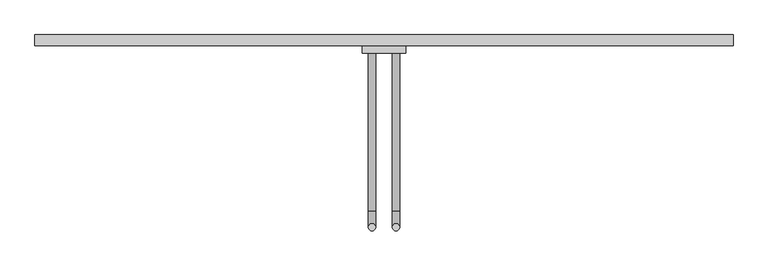
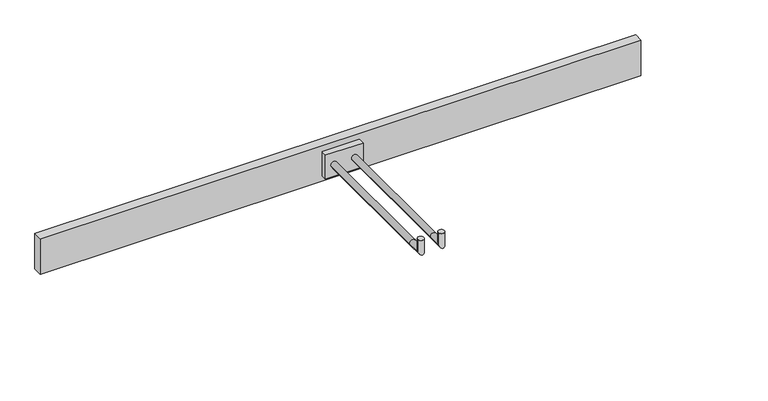
"""IFC4 building model written with IfcOpenShell, lengths in millimetres: proxy geometry."""

from ifc_helpers import new_model, si_unit, frame, origin, place, context, project, spatial, polyline, circle_curve, ellipse_curve, outline, extrude, source, transform, mapped, element, save
from ifc_brep_helpers import plane_surface, cylinder_surface, advanced_brep


def specialty_equipment_ad2d4378(model_context):
    return source(origin(), model_context, "Body", "SolidModel", [
        advanced_brep(
        [(27.2956261, -31.75, 1219.2), (14.5956261, -31.75, 1219.2), (14.5956261, -307.975, 1219.2), (27.2956261, -307.975, 1219.2), (14.5956261, -336.55, 1219.2), (27.2956261, -336.55, 1219.2), (27.2956261, -336.55, 1244.6), (14.5956261, -336.55, 1244.6)],
        [
            (0, 1, circle_curve(frame((20.9456261, -31.75, 1219.2), z_axis=(0.0, 1.0, 0.0), x_axis=(-1.0, 0.0, 0.0)), 6.35)),
            (1, 0, circle_curve(frame((20.9456261, -31.75, 1219.2), z_axis=(0.0, 1.0, 0.0), x_axis=(-1.0, 0.0, 0.0)), 6.35)),
            (1, 2),
            (2, 3, circle_curve(frame((20.9456261, -307.975, 1219.2), z_axis=(0.0, 1.0, 0.0), x_axis=(-1.0, 0.0, 0.0)), 6.35)),
            (3, 0),
            (3, 2, circle_curve(frame((20.9456261, -307.975, 1219.2), z_axis=(0.0, 1.0, 0.0), x_axis=(-1.0, 0.0, 0.0)), 6.35)),
            (2, 4),
            (4, 5, ellipse_curve(frame((20.9456261, -336.55, 1219.2), z_axis=(0.0, 0.7071067811865429, -0.7071067811865522), x_axis=(0.0, 0.7071067811865521, 0.7071067811865429)), 8.9802561, 6.35)),
            (5, 3),
            (5, 4, ellipse_curve(frame((20.9456261, -336.55, 1219.2), z_axis=(0.0, 0.7071067811865429, -0.7071067811865522), x_axis=(0.0, 0.7071067811865521, 0.7071067811865429)), 8.9802561, 6.35)),
            (6, 7, circle_curve(frame((20.9456261, -336.55, 1244.6), z_axis=(0.0, 0.0, 1.0), x_axis=(-1.0, 0.0, 0.0)), 6.35)),
            (7, 6, circle_curve(frame((20.9456261, -336.55, 1244.6), z_axis=(0.0, 0.0, 1.0), x_axis=(-1.0, 0.0, 0.0)), 6.35)),
            (4, 7),
            (6, 5),
        ],
        [
            plane_surface(frame((20.9456261, -31.75, 1219.2), z_axis=(0.0, 1.0, 0.0), x_axis=(-1.0, 0.0, 0.0))),
            cylinder_surface(frame((20.9456261, -31.75, 1219.2), z_axis=(0.0, 1.0, 0.0), x_axis=(-1.0, 0.0, 0.0)), 6.35),
            cylinder_surface(frame((20.9456261, -307.975, 1219.2), z_axis=(0.0, 1.0, 0.0), x_axis=(-1.0, 0.0, 0.0)), 6.35),
            plane_surface(frame((20.9456261, -336.55, 1244.6), z_axis=(0.0, 0.0, 1.0), x_axis=(-1.0, 0.0, 0.0))),
            cylinder_surface(frame((20.9456261, -336.55, 1219.2), z_axis=(0.0, 0.0, -1.0), x_axis=(-1.0, 0.0, 0.0)), 6.35),
        ],
        [
            (0, [[1, 2]]),
            (1, [[-2, 3, 4, 5]]),
            (1, [[-1, -5, 6, -3]]),
            (2, [[-4, 7, 8, 9]]),
            (2, [[-6, -9, 10, -7]]),
            (3, [[11, 12]]),
            (4, [[-8, 13, -11, 14]]),
            (4, [[-10, -14, -12, -13]]),
        ],
    ),
        advanced_brep(
        [(-27.2956261, -31.75, 1219.2), (-14.5956261, -31.75, 1219.2), (-27.2956261, -307.975, 1219.2), (-14.5956261, -307.975, 1219.2), (-27.2956261, -336.55, 1219.2), (-14.5956261, -336.55, 1219.2), (-27.2956261, -336.55, 1244.6), (-14.5956261, -336.55, 1244.6)],
        [
            (0, 1, circle_curve(frame((-20.9456261, -31.75, 1219.2), z_axis=(0.0, 1.0, 0.0), x_axis=(1.0, 0.0, 0.0)), 6.35)),
            (1, 0, circle_curve(frame((-20.9456261, -31.75, 1219.2), z_axis=(0.0, 1.0, 0.0), x_axis=(1.0, 0.0, 0.0)), 6.35)),
            (0, 2),
            (2, 3, circle_curve(frame((-20.9456261, -307.975, 1219.2), z_axis=(0.0, 1.0, 0.0), x_axis=(1.0, 0.0, 0.0)), 6.35)),
            (3, 1),
            (3, 2, circle_curve(frame((-20.9456261, -307.975, 1219.2), z_axis=(0.0, 1.0, 0.0), x_axis=(1.0, 0.0, 0.0)), 6.35)),
            (2, 4),
            (4, 5, ellipse_curve(frame((-20.9456261, -336.55, 1219.2), z_axis=(0.0, 0.7071067811865429, -0.7071067811865522), x_axis=(0.0, 0.7071067811865521, 0.7071067811865429)), 8.9802561, 6.35)),
            (5, 3),
            (5, 4, ellipse_curve(frame((-20.9456261, -336.55, 1219.2), z_axis=(0.0, 0.7071067811865429, -0.7071067811865522), x_axis=(0.0, 0.7071067811865521, 0.7071067811865429)), 8.9802561, 6.35)),
            (6, 7, circle_curve(frame((-20.9456261, -336.55, 1244.6), z_axis=(0.0, 0.0, 1.0), x_axis=(1.0, 0.0, 0.0)), 6.35)),
            (7, 6, circle_curve(frame((-20.9456261, -336.55, 1244.6), z_axis=(0.0, 0.0, 1.0), x_axis=(1.0, 0.0, 0.0)), 6.35)),
            (4, 6),
            (7, 5),
        ],
        [
            plane_surface(frame((-20.9456261, -31.75, 1219.2), z_axis=(0.0, 1.0, 0.0), x_axis=(1.0, 0.0, 0.0))),
            cylinder_surface(frame((-20.9456261, -31.75, 1219.2), z_axis=(0.0, 1.0, 0.0), x_axis=(1.0, 0.0, 0.0)), 6.35),
            cylinder_surface(frame((-20.9456261, -307.975, 1219.2), z_axis=(0.0, 1.0, 0.0), x_axis=(1.0, 0.0, 0.0)), 6.35),
            plane_surface(frame((-20.9456261, -336.55, 1244.6), z_axis=(0.0, 0.0, 1.0), x_axis=(1.0, 0.0, 0.0))),
            cylinder_surface(frame((-20.9456261, -336.55, 1219.2), z_axis=(0.0, 0.0, -1.0), x_axis=(1.0, 0.0, 0.0)), 6.35),
        ],
        [
            (0, [[1, 2]]),
            (1, [[-1, 3, 4, 5]]),
            (1, [[-2, -5, 6, -3]]),
            (2, [[-4, 7, 8, 9]]),
            (2, [[-6, -9, 10, -7]]),
            (3, [[11, 12]]),
            (4, [[-8, 13, -12, 14]]),
            (4, [[-10, -14, -11, -13]]),
        ],
    ),
        extrude(outline(polyline([(38.1, 0.0), (38.1, -31.75), (-38.1, -31.75), (-38.1, 0.0), (38.1, 0.0)])), frame((0.0, 0.0, 1193.8), z_axis=(0.0, 0.0, 1.0), x_axis=(1.0, 0.0, 0.0)), (0.0, 0.0, 1.0), 50.8),
        extrude(outline(polyline([(609.6, 0.0), (609.6, -19.05), (-609.6, -19.05), (-609.6, 0.0), (609.6, 0.0)])), frame((0.0, 0.0, 1181.1), z_axis=(0.0, 0.0, 1.0), x_axis=(1.0, 0.0, 0.0)), (0.0, 0.0, 1.0), 76.2),
    ])


if __name__ == "__main__":
    model = new_model("IFC4")
    model_context = context("Model", 3, world=origin())
    ifc_project = project(units=[si_unit("LENGTHUNIT", "METRE", prefix="MILLI")], contexts=[model_context])
    site = spatial("IfcSite", under=ifc_project)
    building = spatial("IfcBuilding", under=site)
    placement = place(None, origin())
    specialty_equipment_shape = specialty_equipment_ad2d4378(model_context)
    element("IfcBuildingElementProxy", 1, Name="Specialty Equipment", at=placement, inside=building, context=model_context, shape_type="MappedRepresentation", body=[
        mapped(specialty_equipment_shape, transform((0.0, 0.0, 0.0), x_axis=(1.0, 0.0, 0.0), y_axis=(0.0, 1.0, 0.0), z_axis=(0.0, 0.0, 1.0))),
    ])
    save(model, "model.ifc")
